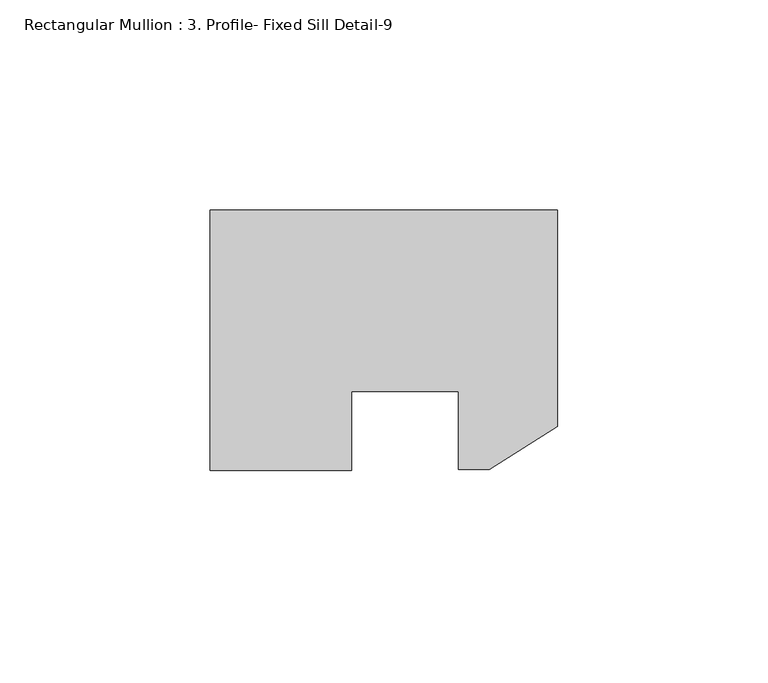
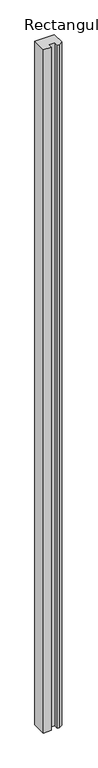
"""IFC4 building model written with IfcOpenShell, lengths in millimetres: member geometry, Rectangular Mullion : 3. Profile- Fixed Sill Detail-9."""

from ifc_helpers import new_model, si_unit, frame, origin, place, context, project, spatial, polyline, outline, extrude, source, transform, mapped, element, save


def rectangular_mullion_3_profile_fixed_sill_detail_9_7c60abc8(model_context):
    return source(origin(), model_context, "Body", "SweptSolid", [
        extrude(outline(polyline([(-82.5617127, -40.3677229), (-82.5617127, 21.5449899), (0.0, 21.5449899), (0.0, -29.9442448), (-16.1778836, -40.1272931), (-23.5555774, -40.1272931), (-23.5555774, -21.5448167), (-48.9555559, -21.5448167), (-48.9555559, -40.3677229), (-82.5617127, -40.3677229)])), frame((0.0, 0.0, -3048.0), z_axis=(0.0, 0.0, 1.0), x_axis=(1.0, 0.0, 0.0)), (0.0, 0.0, 1.0), 3048.0),
    ])


if __name__ == "__main__":
    model = new_model("IFC4")
    model_context = context("Model", 3, world=origin())
    ifc_project = project(units=[si_unit("LENGTHUNIT", "METRE", prefix="MILLI")], contexts=[model_context])
    site = spatial("IfcSite", under=ifc_project)
    building = spatial("IfcBuilding", under=site)
    placement = place(None, origin())
    rectangular_mullion_3_profile_fixed_sill_detail_9_shape = rectangular_mullion_3_profile_fixed_sill_detail_9_7c60abc8(model_context)
    element("IfcMember", 1, ObjectType="Rectangular Mullion : 3. Profile- Fixed Sill Detail-9", at=placement, inside=building, context=model_context, shape_type="MappedRepresentation", body=[
        mapped(rectangular_mullion_3_profile_fixed_sill_detail_9_shape, transform((0.0, 0.0, 0.0), x_axis=(1.0, 0.0, 0.0), y_axis=(0.0, 1.0, 0.0), z_axis=(0.0, 0.0, 1.0))),
    ])
    save(model, "model.ifc")
